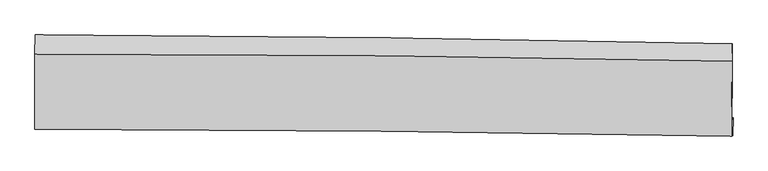
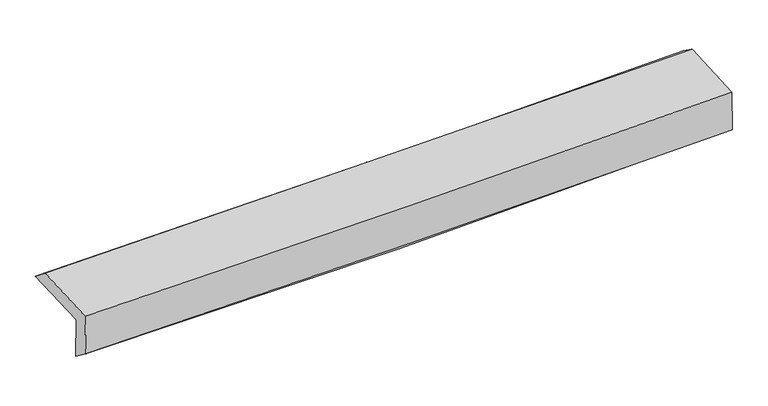
"""IFC4 building model written with IfcOpenShell, lengths in millimetres: proxy geometry."""

from ifc_helpers import new_model, si_unit, frame, origin, place, context, project, spatial, source, transform, mapped, element, save
from ifc_brep_helpers import plane_surface, spline_curve, spline_surface, advanced_brep


def generic_models_688ec511(model_context):
    return source(origin(), model_context, "Body", "AdvancedBrep", [
        advanced_brep(
        [(-3022.4182094, -1769.5464366, 1952.7324579), (-3021.6230329, -1104.352129, 1980.5648751), (3008.8064411, -1180.9786354, 2146.5869698), (3004.3206025, -1842.4312896, 2118.8206476), (-3013.0496428, -1747.8907357, 1570.5550954), (3013.9682717, -1820.2056906, 1726.5837061), (-3016.550116, -1915.2148219, 1698.8845366), (3009.8979846, -1975.7771633, 1844.8827198), (-3025.7651269, -1918.5851426, 2076.4269177), (3000.7433159, -1979.1511076, 2222.7938338), (-3025.1636011, -1273.0063483, 2110.417504), (3004.9495688, -1334.0864863, 2256.8458016)],
        [
            (0, 1),
            (1, 2, spline_curve(3, [(-3021.6230329, -1104.352129, 1980.5648751), (-2016.737153127, -1108.118740469, 1983.193914332), (-1012.178182205, -1116.378492581, 1998.32158952), (997.966070645, -1141.905614628, 2053.620431041), (2003.550257841, -1159.188031278, 2093.833454222), (3008.8064411, -1180.9786354, 2146.5869698)], [4, 2, 4], [0.0, 9.886608048353382, 19.789756872402656])),
            (2, 3),
            (3, 0, spline_curve(3, [(3004.3206025, -1842.4312896, 2118.8206476), (1999.772416477, -1825.743826262, 2065.871092919), (994.850001464, -1811.323173209, 2025.554614997), (-1014.064184745, -1787.035788397, 1970.23405092), (-2018.054707347, -1777.161490333, 1955.187798986), (-3022.4182094, -1769.5464366, 1952.7324579)], [4, 2, 4], [0.0, 9.903148824049273, 19.789756872402656])),
            (4, 0),
            (3, 5),
            (5, 4, spline_curve(3, [(3013.9682717, -1820.2056906, 1726.5837061), (2009.535345179, -1803.237232993, 1668.675869207), (1004.647214448, -1788.723771523, 1626.722022658), (-1004.360276343, -1764.62698058, 1574.765735711), (-2008.478116964, -1755.035457371, 1564.710045308), (-3013.0496428, -1747.8907357, 1570.5550954)], [4, 2, 4], [0.0, 9.900323372376238, 19.78411068827905])),
            (6, 4),
            (5, 7),
            (7, 6, spline_curve(3, [(3009.8979846, -1975.7771633, 1844.8827198), (2005.179142314, -1958.772321718, 1805.384296061), (1000.195737266, -1945.22170569, 1773.464728982), (-1008.621179447, -1925.045787649, 1724.823963991), (-2012.453807869, -1918.408956774, 1708.077469962), (-3016.550116, -1915.2148219, 1698.8845366)], [4, 2, 4], [0.0, 9.899183545258934, 19.781832937845444])),
            (8, 6),
            (7, 9),
            (9, 8, spline_curve(3, [(3000.7433159, -1979.1511076, 2222.7938338), (1996.012163096, -1962.145666924, 2183.239201217), (991.017570842, -1948.594448928, 2151.260774094), (-1017.819456214, -1928.417323021, 2102.497089219), (-2021.661011459, -1921.779886137, 2085.686544207), (-3025.7651269, -1918.5851426, 2076.4269177)], [4, 2, 4], [0.0, 9.897965615249037, 19.779399112078337])),
            (10, 8),
            (9, 11),
            (11, 10, spline_curve(3, [(3004.9495688, -1334.0864863, 2256.8458016), (1999.531744509, -1310.161990217, 2217.638442393), (993.893207353, -1293.111216502, 2185.828383338), (-1016.145252937, -1272.774113359, 2137.043641175), (-2020.544438792, -1269.464840594, 2120.044267469), (-3025.1636011, -1273.0063483, 2110.417504)], [4, 2, 4], [0.0, 9.901051306201822, 19.7855653400957])),
            (1, 10),
            (11, 2),
        ],
        [
            spline_surface(3, 3, [[(-3022.4182094, -1769.5464366, 1952.7324579), (-2018.054707236, -1777.16149023, 1955.187798888), (-1014.064184824, -1787.035788285, 1970.234050838), (994.850001543, -1811.323173321, 2025.554615079), (1999.772416437, -1825.743826243, 2065.871093037), (3004.3206025, -1842.4312896, 2118.8206476)], [(-3022.153150571, -1547.815000737, 1962.009930306), (-2017.615522511, -1554.147240357, 1964.523170749), (-1013.435517292, -1563.483356449, 1979.596563721), (995.888691219, -1588.183987052, 2034.909887084), (2001.031696879, -1603.5585612, 2075.191880136), (3005.815882048, -1621.947071524, 2128.076088352)], [(-3021.888091729, -1326.083564863, 1971.287402694), (-2017.176337774, -1331.132990473, 1973.858542594), (-1012.806849712, -1339.930924572, 1988.959076594), (996.927380943, -1365.044800742, 2044.265159079), (2002.290977278, -1381.373296184, 2084.51266718), (3007.311161552, -1401.462853476, 2137.331529048)], [(-3021.6230329, -1104.352129, 1980.5648751), (-2016.73715305, -1108.118740601, 1983.193914455), (-1012.17818218, -1116.378492736, 1998.321589477), (997.966070619, -1141.905614473, 2053.620431084), (2003.550257719, -1159.188031141, 2093.833454279), (3008.8064411, -1180.9786354, 2146.5869698)]], [4, 4], [4, 2, 4], [0.0, 2.2002265305428383], [0.0, 9.886608048353382, 19.789756872402656]),
            spline_surface(3, 3, [[(-3013.0496428, -1747.8907357, 1570.5550954), (-2008.478117126, -1755.035457238, 1564.710045448), (-1004.360276376, -1764.626980608, 1574.765735707), (1004.647214481, -1788.723771494, 1626.722022662), (2009.535345204, -1803.237233082, 1668.675869334), (3013.9682717, -1820.2056906, 1726.5837061)], [(-3016.172498316, -1755.109302653, 1697.947549545), (-2011.670313812, -1762.410801555, 1694.869296573), (-1007.594912523, -1772.096583178, 1706.588507433), (1001.381476838, -1796.256905447, 1759.66622015), (2006.281035616, -1810.739430795, 1801.074277225), (3010.752381967, -1827.614223593, 1857.329353256)], [(-3019.295353884, -1762.327869647, 1825.340003755), (-2014.86251055, -1769.786145913, 1825.028547763), (-1010.829548677, -1779.566185716, 1838.411279112), (998.115739187, -1803.790039368, 1892.61041759), (2003.026726026, -1818.241628529, 1933.472685147), (3007.536492233, -1835.022756607, 1988.075000444)], [(-3022.4182094, -1769.5464366, 1952.7324579), (-2018.054707236, -1777.16149023, 1955.187798888), (-1014.064184824, -1787.035788285, 1970.234050838), (994.850001543, -1811.323173321, 2025.554615079), (1999.772416437, -1825.743826243, 2065.871093037), (3004.3206025, -1842.4312896, 2118.8206476)]], [4, 4], [4, 2, 4], [0.0, 1.3054784243385231], [0.0, 9.883787315902811, 19.78411068827905]),
            spline_surface(3, 3, [[(-3016.550116, -1915.2148219, 1698.8845366), (-2012.453807751, -1918.408956712, 1708.077469893), (-1008.621179385, -1925.045787711, 1724.823963992), (1000.195737203, -1945.221705628, 1773.46472898), (2005.179142334, -1958.77232173, 1805.384295922), (3009.8979846, -1975.7771633, 1844.8827198)], [(-3015.383291602, -1859.440126519, 1656.108056228), (-2011.128577545, -1863.951123573, 1660.288328439), (-1007.200878359, -1871.57285201, 1674.804554562), (1001.679562985, -1893.055727583, 1724.550493539), (2006.631209951, -1906.927292187, 1759.814820392), (3011.25474696, -1923.92000574, 1805.449715233)], [(-3014.216467198, -1803.665431081, 1613.331575772), (-2009.803347332, -1809.493290377, 1612.499186901), (-1005.780577401, -1818.09991631, 1624.785145137), (1003.163388699, -1840.889749539, 1675.636258103), (2008.083277588, -1855.082262624, 1714.245344864), (3012.61150934, -1872.06284816, 1766.016710667)], [(-3013.0496428, -1747.8907357, 1570.5550954), (-2008.478117126, -1755.035457238, 1564.710045448), (-1004.360276376, -1764.626980608, 1574.765735707), (1004.647214481, -1788.723771494, 1626.722022662), (2009.535345204, -1803.237233082, 1668.675869334), (3013.9682717, -1820.2056906, 1726.5837061)]], [4, 4], [4, 2, 4], [0.0, 0.7123946735229245], [0.0, 9.88264939258651, 19.781832937845444]),
            spline_surface(3, 3, [[(-3025.7651269, -1918.5851426, 2076.4269177), (-2021.661011475, -1921.779886018, 2085.686544251), (-1017.819456135, -1928.417323083, 2102.497089265), (991.017570762, -1948.594448865, 2151.260774047), (1996.012163001, -1962.145666789, 2183.239201083), (3000.7433159, -1979.1511076, 2222.7938338)], [(-3022.693456606, -1917.461702348, 1950.579457306), (-2018.591943573, -1920.656242898, 1959.816852771), (-1014.753363888, -1927.293477957, 1976.606047487), (994.076959573, -1947.470201117, 2025.328759005), (1999.067822779, -1961.021218428, 2057.287566023), (3003.794872134, -1978.026459492, 2096.82346246)], [(-3019.621786294, -1916.338262152, 1824.731996994), (-2015.522875653, -1919.532599833, 1833.947161373), (-1011.687271632, -1926.169632837, 1850.71500577), (997.136348393, -1946.345953376, 1899.396744023), (2002.123482556, -1959.896770091, 1931.335930982), (3006.846428366, -1976.901811408, 1970.85309114)], [(-3016.550116, -1915.2148219, 1698.8845366), (-2012.453807751, -1918.408956712, 1708.077469893), (-1008.621179385, -1925.045787711, 1724.823963992), (1000.195737203, -1945.221705628, 1773.46472898), (2005.179142334, -1958.77232173, 1805.384295922), (3009.8979846, -1975.7771633, 1844.8827198)]], [4, 4], [4, 2, 4], [0.0, 1.2397029786966938], [0.0, 9.8814334968293, 19.779399112078337]),
            spline_surface(3, 3, [[(-3025.1636011, -1273.0063483, 2110.417504), (-2020.544438767, -1269.464840667, 2120.044267542), (-1016.145252789, -1272.774113219, 2137.043641051), (993.893207204, -1293.111216643, 2185.828383462), (1999.531744497, -1310.161990139, 2217.63844252), (3004.9495688, -1334.0864863, 2256.8458016)], [(-3025.364109704, -1488.199279732, 2099.087308576), (-2020.916629673, -1486.903189116, 2108.591693121), (-1016.703320589, -1491.32184985, 2125.528123796), (992.934661705, -1511.605627393, 2174.305846997), (1998.358550657, -1527.489882385, 2206.172028726), (3003.547484493, -1549.108026762, 2245.495145685)], [(-3025.564618296, -1703.392211168, 2087.757113124), (-2021.288820568, -1704.341537569, 2097.139118672), (-1017.261388335, -1709.869586453, 2114.01260652), (991.976116261, -1730.100038115, 2162.783310512), (1997.18535684, -1744.817774543, 2194.705614877), (3002.145400207, -1764.129567138, 2234.144489715)], [(-3025.7651269, -1918.5851426, 2076.4269177), (-2021.661011475, -1921.779886018, 2085.686544251), (-1017.819456135, -1928.417323083, 2102.497089265), (991.017570762, -1948.594448865, 2151.260774047), (1996.012163001, -1962.145666789, 2183.239201083), (3000.7433159, -1979.1511076, 2222.7938338)]], [4, 4], [4, 2, 4], [0.0, 2.153796615026203], [0.0, 9.884514033893879, 19.7855653400957]),
            spline_surface(3, 3, [[(-3021.6230329, -1104.352129, 1980.5648751), (-2016.73715305, -1108.118740601, 1983.193914455), (-1012.17818218, -1116.378492736, 1998.321589477), (997.966070619, -1141.905614473, 2053.620431084), (2003.550257719, -1159.188031141, 2093.833454279), (3008.8064411, -1180.9786354, 2146.5869698)], [(-3022.803222301, -1160.570202111, 2023.849084739), (-2018.006248289, -1161.900773967, 2028.810698823), (-1013.500539038, -1168.5103662, 2044.56227333), (996.608449493, -1192.307481832, 2097.689748539), (2002.210753311, -1209.512684128, 2135.101783673), (3007.520816999, -1232.014585688, 2183.339913714)], [(-3023.983411699, -1216.788275189, 2067.133294361), (-2019.275343527, -1215.682807301, 2074.427483174), (-1014.822895931, -1220.642239756, 2090.802957197), (995.25082833, -1242.709349284, 2141.759066007), (2000.871248905, -1259.837337152, 2176.370113125), (3006.235192901, -1283.050536012, 2220.092857686)], [(-3025.1636011, -1273.0063483, 2110.417504), (-2020.544438767, -1269.464840667, 2120.044267542), (-1016.145252789, -1272.774113219, 2137.043641051), (993.893207204, -1293.111216643, 2185.828383462), (1999.531744497, -1310.161990139, 2217.63844252), (3004.9495688, -1334.0864863, 2256.8458016)]], [4, 4], [4, 2, 4], [0.0, 0.6725221221642854], [0.0, 9.888611554235363, 19.793767236129312]),
            plane_surface(frame((3007.1143641, -1688.7717288, 2052.7522798), z_axis=(0.9996780414795305, -0.007793253677778945, 0.024147020121827272), x_axis=(0.024216327500213755, 0.008924904151975492, -0.9996669023071038))),
            plane_surface(frame((-3020.7616215, -1621.4326024, 1898.2635645), z_axis=(-0.9997002900387978, 0.00221516419417729, -0.024380794571480444), x_axis=(-0.001194358968924788, -0.9991250989857238, -0.041804426600792984))),
        ],
        [
            (0, [[1, 2, 3, 4]]),
            (1, [[5, -4, 6, 7]]),
            (2, [[8, -7, 9, 10]]),
            (3, [[11, -10, 12, 13]]),
            (4, [[14, -13, 15, 16]]),
            (5, [[17, -16, 18, -2]]),
            (6, [[-12, -9, -6, -3, -18, -15]]),
            (7, [[-1, -5, -8, -11, -14, -17]]),
        ],
    ),
    ])


if __name__ == "__main__":
    model = new_model("IFC4")
    model_context = context("Model", 3, world=origin())
    ifc_project = project(units=[si_unit("LENGTHUNIT", "METRE", prefix="MILLI")], contexts=[model_context])
    site = spatial("IfcSite", under=ifc_project)
    building = spatial("IfcBuilding", under=site)
    placement = place(None, origin())
    generic_models_shape = generic_models_688ec511(model_context)
    element("IfcBuildingElementProxy", 1, Name="Generic Models", at=placement, inside=building, context=model_context, shape_type="MappedRepresentation", body=[
        mapped(generic_models_shape, transform((0.0, 0.0, 0.0), x_axis=(1.0, 0.0, 0.0), y_axis=(0.0, 1.0, 0.0), z_axis=(0.0, 0.0, 1.0))),
    ])
    save(model, "model.ifc")
